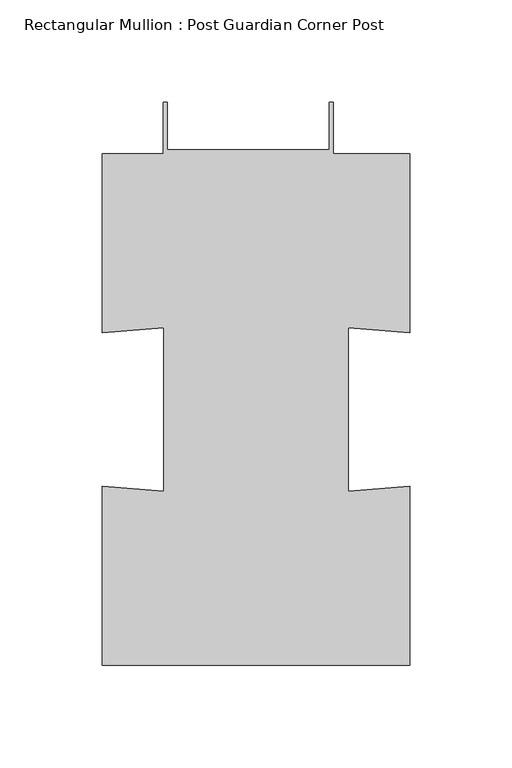
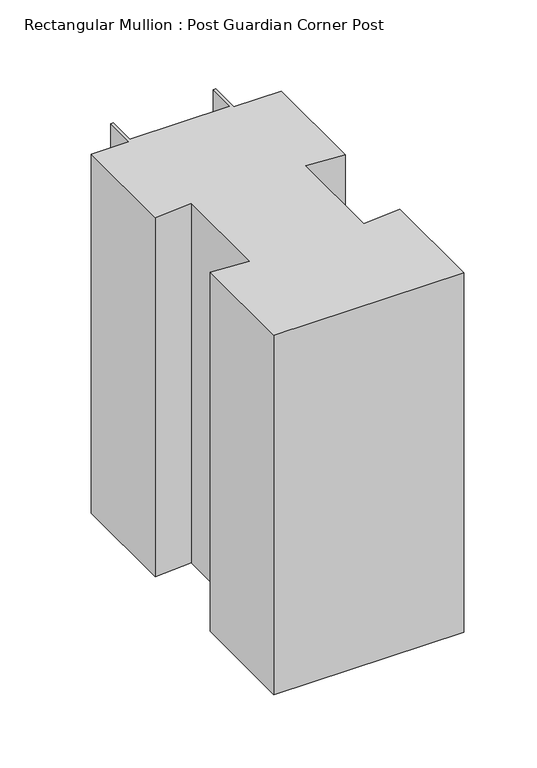
"""IFC4 building model written with IfcOpenShell, lengths in millimetres: member geometry, Rectangular Mullion : Post Guardian Corner Post."""

from ifc_helpers import new_model, si_unit, frame, origin, place, context, project, spatial, polyline, outline, extrude, source, transform, mapped, element, save


def rectangular_mullion_post_guardian_corner_post_394ed790(model_context):
    return source(origin(), model_context, "Body", "SweptSolid", [
        extrude(outline(polyline([(-120.2685508, 124.845), (-120.2685508, 149.845), (-118.2685508, 149.845), (-118.2685508, 126.845), (-39.2685508, 126.845), (-39.2685508, 149.845), (-37.2685508, 149.845), (-37.2685508, 124.845), (0.0, 124.845), (0.0, 37.4535), (-29.9628, 39.9504), (-29.9628, -39.9504), (0.0, -37.4535), (0.0, -124.845), (-149.814, -124.845), (-149.814, -37.4535), (-119.8512, -39.9504), (-119.8512, 39.9504), (-149.814, 37.4535), (-149.814, 124.845), (-120.2685508, 124.845)])), frame((0.0, 0.0, -300.0), z_axis=(0.0, 0.0, 1.0), x_axis=(1.0, 0.0, 0.0)), (0.0, 0.0, 1.0), 300.0),
    ])


if __name__ == "__main__":
    model = new_model("IFC4")
    model_context = context("Model", 3, world=origin())
    ifc_project = project(units=[si_unit("LENGTHUNIT", "METRE", prefix="MILLI")], contexts=[model_context])
    site = spatial("IfcSite", under=ifc_project)
    building = spatial("IfcBuilding", under=site)
    placement = place(None, origin())
    rectangular_mullion_post_guardian_corner_post_shape = rectangular_mullion_post_guardian_corner_post_394ed790(model_context)
    element("IfcMember", 1, ObjectType="Rectangular Mullion : Post Guardian Corner Post", at=placement, inside=building, context=model_context, shape_type="MappedRepresentation", body=[
        mapped(rectangular_mullion_post_guardian_corner_post_shape, transform((0.0, 0.0, 0.0), x_axis=(1.0, 0.0, 0.0), y_axis=(0.0, 1.0, 0.0), z_axis=(0.0, 0.0, 1.0))),
    ])
    save(model, "model.ifc")
